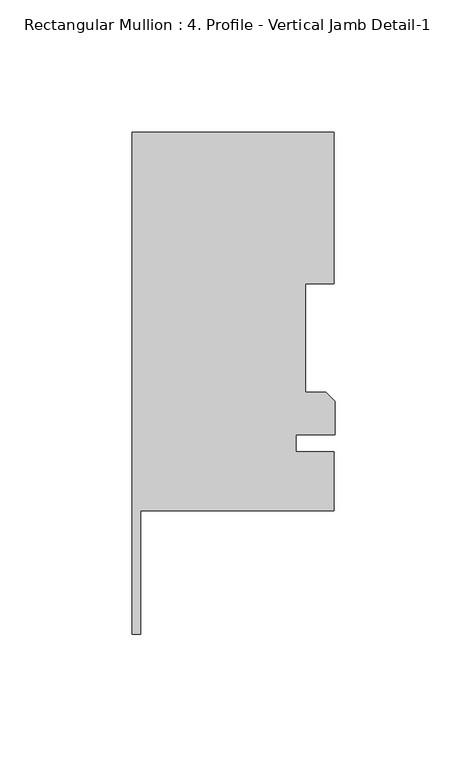
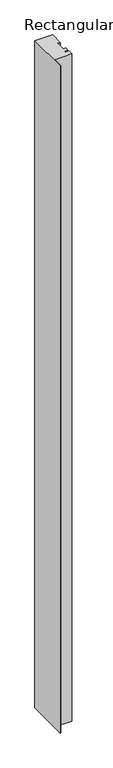
"""IFC4 building model written with IfcOpenShell, lengths in millimetres: member geometry, Rectangular Mullion : 4. Profile - Vertical Jamb Detail-1."""

from ifc_helpers import new_model, si_unit, frame, origin, place, context, project, spatial, polyline, outline, extrude, source, transform, mapped, element, save


def rectangular_mullion_4_profile_vertical_jamb_detail_1_a69bb1aa(model_context):
    return source(origin(), model_context, "Body", "SweptSolid", [
        extrude(outline(polyline([(-0.396875, 74.0425036), (-0.396875, 16.8925036), (-11.1156775, 16.8925036), (-11.1156775, -24.2300964), (-3.3274, -24.2300964), (0.0, -27.5574964), (0.0, -40.2575218), (-14.684375, -40.2575218), (-14.684375, -46.5947202), (-0.350901, -46.5947202), (-0.350901, -68.8419491), (-73.421875, -68.8419491), (-73.421875, -115.5954055), (-76.596875, -115.5954055), (-76.596875, 74.0425036), (-0.396875, 74.0425036)])), frame((0.0, 0.0, -3048.0), z_axis=(0.0, 0.0, 1.0), x_axis=(1.0, 0.0, 0.0)), (0.0, 0.0, 1.0), 3048.0),
    ])


if __name__ == "__main__":
    model = new_model("IFC4")
    model_context = context("Model", 3, world=origin())
    ifc_project = project(units=[si_unit("LENGTHUNIT", "METRE", prefix="MILLI")], contexts=[model_context])
    site = spatial("IfcSite", under=ifc_project)
    building = spatial("IfcBuilding", under=site)
    placement = place(None, origin())
    rectangular_mullion_4_profile_vertical_jamb_detail_1_shape = rectangular_mullion_4_profile_vertical_jamb_detail_1_a69bb1aa(model_context)
    element("IfcMember", 1, ObjectType="Rectangular Mullion : 4. Profile - Vertical Jamb Detail-1", at=placement, inside=building, context=model_context, shape_type="MappedRepresentation", body=[
        mapped(rectangular_mullion_4_profile_vertical_jamb_detail_1_shape, transform((0.0, 0.0, 0.0), x_axis=(1.0, 0.0, 0.0), y_axis=(0.0, 1.0, 0.0), z_axis=(0.0, 0.0, 1.0))),
    ])
    save(model, "model.ifc")
